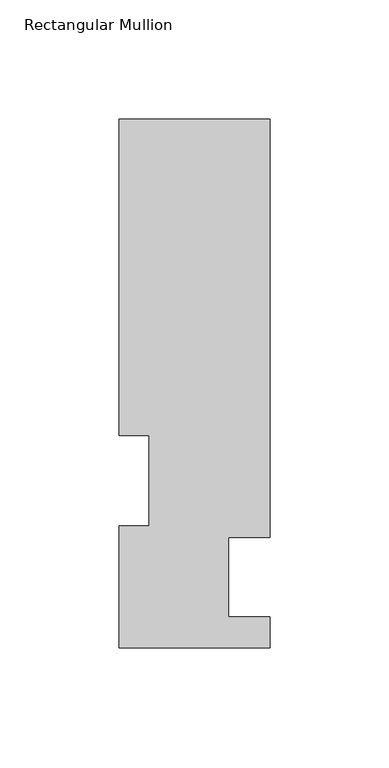
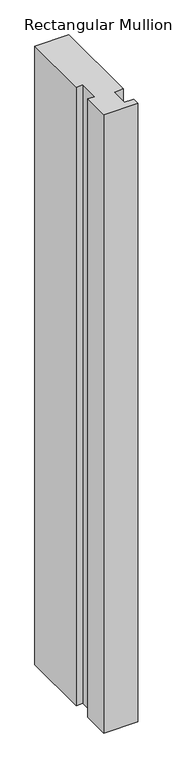
"""IFC4 building model written with IfcOpenShell, lengths in millimetres: member geometry, Rectangular Mullion."""

import ifcopenshell
import ifcopenshell.guid

model = None  # the IFC model being written
_history = None  # IfcOwnerHistory: only IFC2X3 demands one
_inside = {}  # id of a spatial element -> (the spatial element, [elements in it])
_under = {}  # id of a project, library or spatial element -> (it, [spatial elements below it])
_declared = {}  # id of a project -> (the project, [libraries it declares])
_typed = {}  # id of a type object -> (the type object, [elements of that type])
_made_of = {}  # id of a material, layer set ... -> (it, [elements and type objects made of it])


def new_model(schema):
    """Start an empty IFC model of exactly this schema.

    Asked for "IFC4X3", IfcOpenShell would pick the latest addendum, in which some entities
    have other attributes; the version numbers below select the first issue.
    IFC2X3 requires an IfcOwnerHistory on every rooted entity: one is made here for all.
    """
    global model, _history
    if schema == "IFC4X3":
        model = ifcopenshell.file(schema_version=(4, 3, 0, 0))
    else:
        model = ifcopenshell.file(schema=schema)
    _inside.clear()
    _under.clear()
    _declared.clear()
    _typed.clear()
    _made_of.clear()
    _history = None
    if model.schema == "IFC2X3":
        org = make("IfcOrganization", Name="unknown")
        user = make(
            "IfcPersonAndOrganization",
            ThePerson=make("IfcPerson", FamilyName="unknown"),
            TheOrganization=org,
        )
        app = make(
            "IfcApplication",
            ApplicationDeveloper=org,
            Version="unknown",
            ApplicationFullName="unknown",
            ApplicationIdentifier="unknown",
        )
        _history = make(
            "IfcOwnerHistory",
            OwningUser=user,
            OwningApplication=app,
            ChangeAction="ADDED",
            CreationDate=0,
        )
    return model


def make(cls, **values):
    """One entity of the class cls with the attributes given. An attribute that is None is left unset."""
    return model.create_entity(
        cls, **{name: value for name, value in values.items() if value is not None}
    )


def rooted(cls, **values):
    """An entity with a GlobalId (a new one), such as an element, a storey or a relation."""
    return make(cls, GlobalId=ifcopenshell.guid.new(), OwnerHistory=_history, **values)


def si_unit(unit_type, name, prefix=None):
    """IfcSIUnit, for example si_unit("LENGTHUNIT", "METRE", prefix="MILLI")."""
    return make("IfcSIUnit", UnitType=unit_type, Prefix=prefix, Name=name)


def assignment(units):
    """IfcUnitAssignment: the units of a project."""
    return None if units is None else make("IfcUnitAssignment", Units=units)


def point(xyz):
    """IfcCartesianPoint."""
    return None if xyz is None else make("IfcCartesianPoint", Coordinates=xyz)


def direction(xyz):
    """IfcDirection."""
    return None if xyz is None else make("IfcDirection", DirectionRatios=xyz)


def frame(location, z_axis=None, x_axis=None):
    """IfcAxis2Placement3D, a coordinate frame: its origin and axes. An axis left out is left unset."""
    return make(
        "IfcAxis2Placement3D",
        Location=point(location),
        Axis=direction(z_axis),
        RefDirection=direction(x_axis),
    )


def origin():
    """The frame at (0, 0, 0) with its axes left unset."""
    return frame((0.0, 0.0, 0.0))


def place(relative_to, where):
    """IfcLocalPlacement: puts the frame where relative to a parent placement (None: the world)."""
    return make(
        "IfcLocalPlacement", PlacementRelTo=relative_to, RelativePlacement=where
    )


def context(
    kind, dimensions, precision=None, world=None, true_north=None, identifier=None
):
    """IfcGeometricRepresentationContext, for example the 3D "Model" context."""
    return make(
        "IfcGeometricRepresentationContext",
        ContextIdentifier=identifier,
        ContextType=kind,
        CoordinateSpaceDimension=dimensions,
        Precision=precision,
        WorldCoordinateSystem=world,
        TrueNorth=true_north,
    )


def project(units=None, contexts=None):
    """IfcProject with its units and contexts."""
    return rooted(
        "IfcProject",
        Name="project",
        RepresentationContexts=contexts,
        UnitsInContext=assignment(units),
    )


def spatial(cls, under=None, at=None, **own):
    """A site, building, storey or space (cls), placed at a placement, below another one or the project."""
    s = rooted(cls, ObjectPlacement=at, **own)
    if under is not None:
        _under.setdefault(under.id(), (under, []))[1].append(s)
    return s


def polyline(points):
    """IfcPolyline through the points."""
    return make("IfcPolyline", Points=[point(p) for p in points])


def outline(outer, holes=None, kind="AREA"):
    """IfcArbitraryClosedProfileDef: a profile drawn as a closed curve; with holes, ...WithVoids."""
    if holes is None:
        return make("IfcArbitraryClosedProfileDef", ProfileType=kind, OuterCurve=outer)
    return make(
        "IfcArbitraryProfileDefWithVoids",
        ProfileType=kind,
        OuterCurve=outer,
        InnerCurves=holes,
    )


def extrude(swept, where, along, depth):
    """IfcExtrudedAreaSolid: the profile swept, set in the frame where, extruded along a direction by depth."""
    return make(
        "IfcExtrudedAreaSolid",
        SweptArea=swept,
        Position=where,
        ExtrudedDirection=direction(along),
        Depth=depth,
    )


def shape(context_of_items, identifier, shape_type, items):
    """IfcShapeRepresentation: the items that make up one representation, for example the "Body"."""
    return make(
        "IfcShapeRepresentation",
        ContextOfItems=context_of_items,
        RepresentationIdentifier=identifier,
        RepresentationType=shape_type,
        Items=items,
    )


def source(mapping_origin, context_of_items, identifier, shape_type, items):
    """IfcRepresentationMap: a shape defined once, which mapped items show again and again."""
    return make(
        "IfcRepresentationMap",
        MappingOrigin=mapping_origin,
        MappedRepresentation=shape(context_of_items, identifier, shape_type, items),
    )


def transform(
    local_origin,
    x_axis=None,
    y_axis=None,
    z_axis=None,
    scale=None,
    scale2=None,
    scale3=None,
    uniform=True,
):
    """IfcCartesianTransformationOperator3D, or its non-uniform kind. x_axis, y_axis, z_axis: its Axis1, 2, 3."""
    if uniform:
        return make(
            "IfcCartesianTransformationOperator3D",
            Axis1=direction(x_axis),
            Axis2=direction(y_axis),
            LocalOrigin=point(local_origin),
            Scale=scale,
            Axis3=direction(z_axis),
        )
    return make(
        "IfcCartesianTransformationOperator3DnonUniform",
        Axis1=direction(x_axis),
        Axis2=direction(y_axis),
        LocalOrigin=point(local_origin),
        Scale=scale,
        Axis3=direction(z_axis),
        Scale2=scale2,
        Scale3=scale3,
    )


def mapped(mapping_source, mapping_target):
    """IfcMappedItem: shows the shape of a source again, moved by a transform."""
    return make(
        "IfcMappedItem", MappingSource=mapping_source, MappingTarget=mapping_target
    )


def made_of(thing, what):
    """Note that an element or type object is made of a material, layer set ...; save() writes the relation."""
    if what is not None:
        _made_of.setdefault(what.id(), (what, []))[1].append(thing)
    return thing


def element(
    cls,
    number,
    at=None,
    inside=None,
    cuts=None,
    type_object=None,
    material=None,
    context=None,
    identifier="Body",
    shape_type=None,
    held_by="IfcProductDefinitionShape",
    body=None,
    shapes=None,
    **own,
):
    """One element of the class cls, such as IfcWall. Its Tag is "e" and its number.

    at: its placement. inside: the storey or other place that contains it. cuts: it is an
    opening in that element (IfcRelVoidsElement). A single representation is given by context,
    identifier, shape_type and body (its items); several are given by shapes. held_by: the class
    of the entity that holds the representations. save() writes the other relations.
    """
    e = rooted(cls, Tag="e%d" % number, ObjectPlacement=at, **own)
    if body is not None:
        shapes = [shape(context, identifier, shape_type, body)]
    if shapes is not None:
        e.Representation = make(held_by, Representations=shapes)
    if inside is not None:
        _inside.setdefault(inside.id(), (inside, []))[1].append(e)
    if cuts is not None:
        rooted(
            "IfcRelVoidsElement", RelatingBuildingElement=cuts, RelatedOpeningElement=e
        )
    if type_object is not None:
        _typed.setdefault(type_object.id(), (type_object, []))[1].append(e)
    return made_of(e, material)


def aggregate(whole, parts):
    """IfcRelAggregates: a whole, such as a stair, and the parts it consists of."""
    return rooted("IfcRelAggregates", RelatingObject=whole, RelatedObjects=parts)


def save(model, path):
    """Write the relations noted so far, then the file.

    IfcRelAggregates (storeys below a building ...), IfcRelContainedInSpatialStructure (elements
    in a storey), IfcRelDefinesByType, IfcRelAssociatesMaterial and IfcRelDeclares: one each for
    every whole, place, type object, material and project.
    """
    for whole, parts in _under.values():
        aggregate(whole, parts)
    for where, things in _inside.values():
        rooted(
            "IfcRelContainedInSpatialStructure",
            RelatedElements=things,
            RelatingStructure=where,
        )
    for kind, things in _typed.values():
        rooted("IfcRelDefinesByType", RelatedObjects=things, RelatingType=kind)
    for what, things in _made_of.values():
        rooted("IfcRelAssociatesMaterial", RelatedObjects=things, RelatingMaterial=what)
    for by, libraries in _declared.values():
        rooted("IfcRelDeclares", RelatingContext=by, RelatedDefinitions=libraries)
    model.write(path)


def rectangular_mullion_0874ba35(model_context):
    return source(origin(), model_context, "Body", "SweptSolid", [
        extrude(outline(polyline([(-31.75, 222.5381313), (31.7500001, 222.5381313), (31.7500001, 46.7447312), (14.2748001, 46.7447312), (14.2748001, 13.3945313), (31.75, 13.3945313), (31.75, 0.2119313), (-31.7595098, 0.2119313), (-31.7595098, 51.4945312), (-19.05, 51.4945312), (-19.05, 89.5945312), (-31.75, 89.5945312), (-31.75, 222.5381313)])), frame((0.0, 0.0, -1219.2), z_axis=(0.0, 0.0, 1.0), x_axis=(1.0, 0.0, 0.0)), (0.0, 0.0, 1.0), 1219.2),
    ])


if __name__ == "__main__":
    model = new_model("IFC4")
    model_context = context("Model", 3, world=origin())
    ifc_project = project(units=[si_unit("LENGTHUNIT", "METRE", prefix="MILLI")], contexts=[model_context])
    site = spatial("IfcSite", under=ifc_project)
    building = spatial("IfcBuilding", under=site)
    placement = place(None, origin())
    rectangular_mullion_shape = rectangular_mullion_0874ba35(model_context)
    element("IfcMember", 1, ObjectType="Rectangular Mullion", at=placement, inside=building, context=model_context, shape_type="MappedRepresentation", body=[
        mapped(rectangular_mullion_shape, transform((0.0, 0.0, 0.0), x_axis=(1.0, 0.0, 0.0), y_axis=(0.0, 1.0, 0.0), z_axis=(0.0, 0.0, 1.0))),
    ])
    save(model, "model.ifc")
